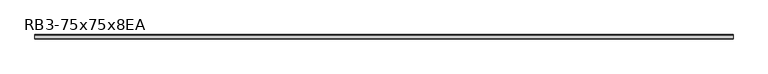
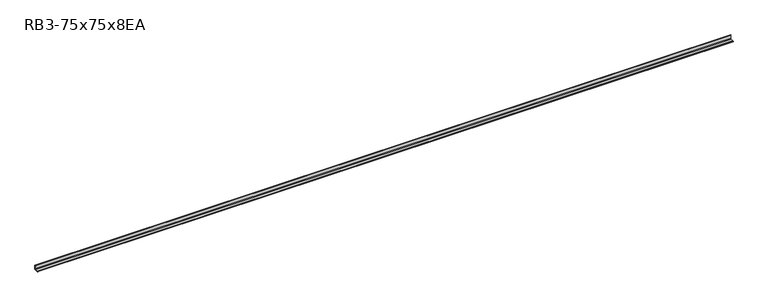
"""IFC4 building model written with IfcOpenShell, lengths in millimetres: member geometry, RB3-75x75x8EA."""

from ifc_helpers import new_model, si_unit, point, frame, frame_2d, origin, place, context, project, spatial, polyline, circle_curve, trimmed, segment, composite_curve, outline, extrude, source, transform, mapped, element, save


def rb3_75x75x8ea_4fdc4ae4(model_context):
    return source(origin(), model_context, "Body", "SweptSolid", [
        extrude(outline(composite_curve([segment(polyline([(21.3, -21.3), (-53.7, -21.3), (-53.7, -18.3)]), True, "CONTINUOUS"), segment(trimmed(circle_curve(frame_2d((-48.7, -18.3)), 5.0), [point((-53.7, -18.3))], [point((-48.7, -13.3))], False, "CARTESIAN"), True, "CONTINUOUS"), segment(polyline([(-48.7, -13.3), (5.3, -13.3)]), True, "CONTINUOUS"), segment(trimmed(circle_curve(frame_2d((5.3, -5.3)), 8.0), [point((5.3, -13.3))], [point((13.3, -5.3))], True, "CARTESIAN"), True, "CONTINUOUS"), segment(polyline([(13.3, -5.3), (13.3, 48.7)]), True, "CONTINUOUS"), segment(trimmed(circle_curve(frame_2d((18.3, 48.7)), 5.0), [point((13.3, 48.7))], [point((18.3, 53.7))], False, "CARTESIAN"), True, "CONTINUOUS"), segment(polyline([(18.3, 53.7), (21.3, 53.7), (21.3, -21.3)]), True, "CONTINUOUS")], self_intersect=False)), frame((-5937.3272171, 0.0, 0.0), z_axis=(1.0, 0.0, 0.0), x_axis=(0.0, 1.0, 0.0)), (0.0, 0.0, 1.0), 11835.8272171),
    ])


if __name__ == "__main__":
    model = new_model("IFC4")
    model_context = context("Model", 3, world=origin())
    ifc_project = project(units=[si_unit("LENGTHUNIT", "METRE", prefix="MILLI")], contexts=[model_context])
    site = spatial("IfcSite", under=ifc_project)
    building = spatial("IfcBuilding", under=site)
    placement = place(None, origin())
    rb3_75x75x8ea_shape = rb3_75x75x8ea_4fdc4ae4(model_context)
    element("IfcMember", 1, ObjectType="RB3-75x75x8EA", at=placement, inside=building, context=model_context, shape_type="MappedRepresentation", body=[
        mapped(rb3_75x75x8ea_shape, transform((0.0, 0.0, 0.0), x_axis=(1.0, 0.0, 0.0), y_axis=(0.0, 1.0, 0.0), z_axis=(0.0, 0.0, 1.0))),
    ])
    save(model, "model.ifc")
